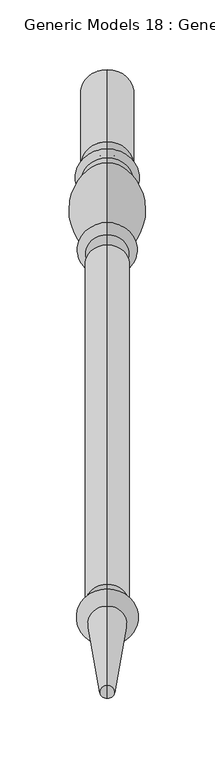
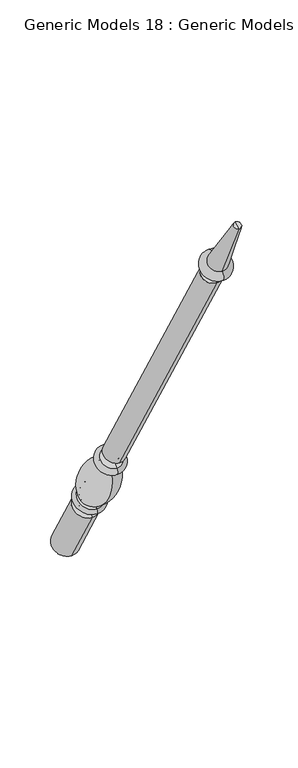
"""IFC4 building model written with IfcOpenShell, lengths in millimetres: proxy geometry, Generic Models 18 : Generic Models 2."""

from ifc_helpers import new_model, si_unit, point, frame, origin, place, context, project, spatial, polyline, circle_curve, ellipse_curve, trimmed, source, transform, mapped, element, save
from ifc_brep_helpers import plane_surface, cylinder_surface, revolved_surface, advanced_brep


def generic_models_18_generic_models_2_3f9f1b97(model_context):
    return source(origin(), model_context, "Body", "AdvancedBrep", [
        advanced_brep(
        [(-324.2684498, 1861.1601077, 610.5814746), (-324.2684498, 1828.1645398, 591.5314746), (-324.2684498, 1880.0576333, 501.65), (-324.2684498, 1913.0532012, 520.7), (-324.2684498, 1853.6896456, 623.5206944), (-324.2684498, 1820.6940777, 604.4706944), (-324.2684498, 1849.5864045, 630.6277165), (-324.2684498, 1816.5908366, 611.5777165), (-324.2684498, 1845.9182158, 636.9812058), (-324.2684498, 1812.9226479, 617.9312058), (-324.2684498, 1801.1569262, 703.055156), (-324.2684498, 1778.0815733, 689.7325947), (-324.2684498, 1799.8610191, 710.4046105), (-324.2684498, 1772.3647125, 694.5296105), (-324.2684498, 1794.1590629, 720.2806883), (-324.2684498, 1766.6627563, 704.4056883), (-324.2684498, 1786.7732215, 733.0733408), (-324.2684498, 1759.276915, 717.1983408), (-324.2684498, 1542.2982215, 1156.516462), (-324.2684498, 1514.801915, 1140.641462), (-324.2684498, 1537.2251467, 1153.5875209), (-324.2684498, 1519.8749898, 1143.5704031), (-324.2684498, 1531.1910418, 1164.0388972), (-324.2684498, 1513.8408848, 1154.0217794), (-324.2684498, 1534.7597609, 1166.0992981), (-324.2684498, 1510.2721658, 1151.9613785), (-324.2684498, 1526.5847892, 1180.2587644), (-324.2684498, 1502.0971941, 1166.1208448), (-324.2684498, 1469.4852742, 1261.8053229), (-324.2684498, 1460.0255603, 1256.3437545), (-324.2684498, 1464.7554173, 1259.0745387), (-324.2684498, 1896.5554173, 511.175)],
        [
            (0, 1, circle_curve(frame((-324.2684498, 1844.6623237, 601.0564746), z_axis=(0.0, 0.5000000000000062, -0.8660254037844352), x_axis=(0.0, -0.8660254037844352, -0.5000000000000062)), 19.05)),
            (1, 2),
            (2, 3, circle_curve(frame((-324.2684498, 1896.5554173, 511.175), z_axis=(0.0, -0.5000000000000062, 0.8660254037844352), x_axis=(0.0, -0.8660254037844352, -0.5000000000000062)), 19.05)),
            (3, 0),
            (1, 0, circle_curve(frame((-324.2684498, 1844.6623237, 601.0564746), z_axis=(0.0, 0.5000000000000062, -0.8660254037844352), x_axis=(0.0, -0.8660254037844352, -0.5000000000000062)), 19.05)),
            (3, 2, circle_curve(frame((-324.2684498, 1896.5554173, 511.175), z_axis=(0.0, -0.5000000000000062, 0.8660254037844352), x_axis=(0.0, -0.8660254037844352, -0.5000000000000062)), 19.05)),
            (4, 5, circle_curve(frame((-324.2684498, 1837.1918617, 613.9956944), z_axis=(0.0, 0.5000000000000062, -0.8660254037844352), x_axis=(0.0, -0.8660254037844352, -0.5000000000000062)), 19.05)),
            (5, 1, circle_curve(frame((-324.2684498, 1821.8102989, 596.4889985), z_axis=(-1.0, 0.0, 0.0), x_axis=(0.0, 0.8660254037844352, 0.5000000000000062)), 8.0593685)),
            (0, 4, circle_curve(frame((-324.2684498, 1860.0438865, 618.5631706), z_axis=(-1.0, 0.0, 0.0), x_axis=(0.0, -0.8660254037844352, -0.5000000000000062)), 8.0593685)),
            (5, 4, circle_curve(frame((-324.2684498, 1837.1918617, 613.9956944), z_axis=(0.0, 0.5000000000000062, -0.8660254037844352), x_axis=(0.0, -0.8660254037844352, -0.5000000000000062)), 19.05)),
            (6, 7, circle_curve(frame((-324.2684498, 1833.0886205, 621.1027165), z_axis=(0.0, 0.5000000000000062, -0.8660254037844352), x_axis=(0.0, -0.8660254037844352, -0.5000000000000062)), 19.05)),
            (7, 5, circle_curve(frame((-324.2684498, 1818.6424572, 608.0242055), z_axis=(1.0, 0.0, 0.0), x_axis=(0.0, 0.8660254037844352, 0.5000000000000062)), 4.1032411)),
            (4, 6, circle_curve(frame((-324.2684498, 1851.638025, 627.0742055), z_axis=(1.0, 0.0, 0.0), x_axis=(0.0, -0.8660254037844352, -0.5000000000000062)), 4.1032411)),
            (7, 6, circle_curve(frame((-324.2684498, 1833.0886205, 621.1027165), z_axis=(0.0, 0.5000000000000062, -0.8660254037844352), x_axis=(0.0, -0.8660254037844352, -0.5000000000000062)), 19.05)),
            (8, 9, circle_curve(frame((-324.2684498, 1829.4204318, 627.4562058), z_axis=(0.0, 0.5000000000000062, -0.8660254037844352), x_axis=(0.0, -0.8660254037844352, -0.5000000000000062)), 19.05)),
            (9, 7, circle_curve(frame((-324.2684498, 1813.3633086, 613.9499618), z_axis=(-1.0, 0.0, 0.0), x_axis=(0.0, 0.8660254037844352, 0.5000000000000062)), 4.0055568)),
            (6, 8, circle_curve(frame((-324.2684498, 1849.1457438, 634.6089605), z_axis=(-1.0, 0.0, 0.0), x_axis=(0.0, -0.8660254037844352, -0.5000000000000062)), 4.0055568)),
            (9, 8, circle_curve(frame((-324.2684498, 1829.4204318, 627.4562058), z_axis=(0.0, 0.5000000000000062, -0.8660254037844352), x_axis=(0.0, -0.8660254037844352, -0.5000000000000062)), 19.05)),
            (10, 11, circle_curve(frame((-324.2684498, 1789.6192497, 696.3938754), z_axis=(0.0, 0.5000000000000062, -0.8660254037844352), x_axis=(0.0, -0.8660254037844352, -0.5000000000000062)), 13.3225612)),
            (11, 9, circle_curve(frame((-324.2684498, 1854.1299968, 682.2806335), z_axis=(1.0, 0.0, 0.0), x_axis=(0.0, 0.8660254037844352, 0.5000000000000062)), 76.412659)),
            (8, 10, circle_curve(frame((-324.2684498, 1769.5863022, 633.4693086), z_axis=(1.0, 0.0, 0.0), x_axis=(0.0, -0.8660254037844352, -0.5000000000000062)), 76.412659)),
            (11, 10, circle_curve(frame((-324.2684498, 1789.6192497, 696.3938754), z_axis=(0.0, 0.5000000000000062, -0.8660254037844352), x_axis=(0.0, -0.8660254037844352, -0.5000000000000062)), 13.3225612)),
            (12, 13, circle_curve(frame((-324.2684498, 1786.1128658, 702.4671105), z_axis=(0.0, 0.5000000000000062, -0.8660254037844352), x_axis=(0.0, -0.8660254037844352, -0.5000000000000062)), 15.875)),
            (13, 11, circle_curve(frame((-324.2684498, 1773.4069828, 689.9666873), z_axis=(-1.0, 0.0, 0.0), x_axis=(0.0, 0.8660254037844352, 0.5000000000000062)), 4.6804482)),
            (10, 12, circle_curve(frame((-324.2684498, 1803.2914914, 707.2205164), z_axis=(-1.0, 0.0, 0.0), x_axis=(0.0, -0.8660254037844352, -0.5000000000000062)), 4.6804482)),
            (13, 12, circle_curve(frame((-324.2684498, 1786.1128658, 702.4671105), z_axis=(0.0, 0.5000000000000062, -0.8660254037844352), x_axis=(0.0, -0.8660254037844352, -0.5000000000000062)), 15.875)),
            (14, 15, circle_curve(frame((-324.2684498, 1780.4109096, 712.3431883), z_axis=(0.0, 0.5000000000000062, -0.8660254037844352), x_axis=(0.0, -0.8660254037844352, -0.5000000000000062)), 15.875)),
            (15, 13, circle_curve(frame((-324.2684498, 1769.5137344, 699.4676494), z_axis=(1.0, 0.0, 0.0), x_axis=(0.0, 0.8660254037844352, 0.5000000000000062)), 5.7019562)),
            (12, 14, circle_curve(frame((-324.2684498, 1797.010041, 715.3426494), z_axis=(1.0, 0.0, 0.0), x_axis=(0.0, -0.8660254037844352, -0.5000000000000062)), 5.7019562)),
            (15, 14, circle_curve(frame((-324.2684498, 1780.4109096, 712.3431883), z_axis=(0.0, 0.5000000000000062, -0.8660254037844352), x_axis=(0.0, -0.8660254037844352, -0.5000000000000062)), 15.875)),
            (16, 17, circle_curve(frame((-324.2684498, 1773.0250683, 725.1358408), z_axis=(0.0, 0.5000000000000062, -0.8660254037844352), x_axis=(0.0, -0.8660254037844352, -0.5000000000000062)), 15.875)),
            (17, 15, circle_curve(frame((-324.2684498, 1762.9698356, 710.8020145), z_axis=(-1.0, 0.0, 0.0), x_axis=(0.0, 0.8660254037844352, 0.5000000000000062)), 7.3858413)),
            (14, 16, circle_curve(frame((-324.2684498, 1790.4661422, 726.6770145), z_axis=(-1.0, 0.0, 0.0), x_axis=(0.0, -0.8660254037844352, -0.5000000000000062)), 7.3858413)),
            (17, 16, circle_curve(frame((-324.2684498, 1773.0250683, 725.1358408), z_axis=(0.0, 0.5000000000000062, -0.8660254037844352), x_axis=(0.0, -0.8660254037844352, -0.5000000000000062)), 15.875)),
            (18, 19, circle_curve(frame((-324.2684498, 1528.5500683, 1148.578962), z_axis=(0.0, 0.5000000000000062, -0.8660254037844352), x_axis=(0.0, -0.8660254037844352, -0.5000000000000062)), 15.875)),
            (19, 17),
            (16, 18),
            (19, 18, circle_curve(frame((-324.2684498, 1528.5500683, 1148.578962), z_axis=(0.0, 0.5000000000000062, -0.8660254037844352), x_axis=(0.0, -0.8660254037844352, -0.5000000000000062)), 15.875)),
            (20, 21, circle_curve(frame((-324.2684498, 1528.5500683, 1148.578962), z_axis=(0.0, 0.5000000000000062, -0.8660254037844352), x_axis=(0.0, -0.8660254037844352, -0.5000000000000062)), 10.0171178)),
            (21, 19),
            (18, 20),
            (21, 20, circle_curve(frame((-324.2684498, 1528.5500683, 1148.578962), z_axis=(0.0, 0.5000000000000062, -0.8660254037844352), x_axis=(0.0, -0.8660254037844352, -0.5000000000000062)), 10.0171178)),
            (22, 23, circle_curve(frame((-324.2684498, 1522.5159633, 1159.0303383), z_axis=(0.0, 0.5000000000000062, -0.8660254037844352), x_axis=(0.0, -0.8660254037844352, -0.5000000000000062)), 10.0171178)),
            (23, 21, circle_curve(frame((-324.2684498, 1515.3020818, 1147.8978177), z_axis=(-1.0, 0.0, 0.0), x_axis=(0.0, 0.8660254037844352, 0.5000000000000062)), 6.295872)),
            (20, 22, circle_curve(frame((-324.2684498, 1535.7639497, 1159.7114826), z_axis=(-1.0, 0.0, 0.0), x_axis=(0.0, -0.8660254037844352, -0.5000000000000062)), 6.295872)),
            (23, 22, circle_curve(frame((-324.2684498, 1522.5159633, 1159.0303383), z_axis=(0.0, 0.5000000000000062, -0.8660254037844352), x_axis=(0.0, -0.8660254037844352, -0.5000000000000062)), 10.0171178)),
            (24, 25, circle_curve(frame((-324.2684498, 1522.5159633, 1159.0303383), z_axis=(0.0, 0.5000000000000062, -0.8660254037844352), x_axis=(0.0, -0.8660254037844352, -0.5000000000000062)), 14.1379196)),
            (25, 23),
            (22, 24),
            (25, 24, circle_curve(frame((-324.2684498, 1522.5159633, 1159.0303383), z_axis=(0.0, 0.5000000000000062, -0.8660254037844352), x_axis=(0.0, -0.8660254037844352, -0.5000000000000062)), 14.1379196)),
            (26, 27, circle_curve(frame((-324.2684498, 1514.3409916, 1173.1898046), z_axis=(0.0, 0.5000000000000062, -0.8660254037844352), x_axis=(0.0, -0.8660254037844352, -0.5000000000000062)), 14.1379196)),
            (27, 25, circle_curve(frame((-324.2684498, 1506.1846799, 1159.0411116), z_axis=(1.0, 0.0, 0.0), x_axis=(0.0, 0.8660254037844352, 0.5000000000000062)), 8.1749717)),
            (24, 26, circle_curve(frame((-324.2684498, 1530.672275, 1173.1790313), z_axis=(1.0, 0.0, 0.0), x_axis=(0.0, -0.8660254037844352, -0.5000000000000062)), 8.1749717)),
            (27, 26, circle_curve(frame((-324.2684498, 1514.3409916, 1173.1898046), z_axis=(0.0, 0.5000000000000062, -0.8660254037844352), x_axis=(0.0, -0.8660254037844352, -0.5000000000000062)), 14.1379196)),
            (28, 29, circle_curve(frame((-324.2684498, 1464.7554173, 1259.0745387), z_axis=(0.0, 0.5000000000000062, -0.8660254037844352), x_axis=(0.0, -0.8660254037844352, -0.5000000000000062)), 5.4615684)),
            (29, 27),
            (26, 28),
            (29, 28, circle_curve(frame((-324.2684498, 1464.7554173, 1259.0745387), z_axis=(0.0, 0.5000000000000062, -0.8660254037844352), x_axis=(0.0, -0.8660254037844352, -0.5000000000000062)), 5.4615684)),
            (30, 29),
            (28, 30),
            (2, 31),
            (31, 3),
        ],
        [
            cylinder_surface(frame((-324.2684498, 1464.7554173, 1259.0745387), z_axis=(0.0, -0.5000000000000062, 0.8660254037844352), x_axis=(0.0, -0.8660254037844352, -0.5000000000000062)), 19.05),
            revolved_surface(trimmed(ellipse_curve(frame((-324.2684498, 1821.8102989, 596.4889985), z_axis=(1.0, 0.0, 0.0), x_axis=(0.0, 0.8660254037844352, 0.5000000000000062)), 8.0593685, 8.0593685), [point((-324.2684498, 1828.1645398, 591.5314746))], [point((-324.2684498, 1820.6940777, 604.4706944))], True, "CARTESIAN"), (-324.2684498, 1464.7554173, 1259.0745387), (0.0, -0.5000000000000062, 0.8660254037844352)),
            revolved_surface(trimmed(ellipse_curve(frame((-324.2684498, 1818.6424572, 608.0242055), z_axis=(-1.0, 0.0, 0.0), x_axis=(0.0, 0.8660254037844352, 0.5000000000000062)), 4.1032411, 4.1032411), [point((-324.2684498, 1820.6940777, 604.4706944))], [point((-324.2684498, 1816.5908366, 611.5777165))], True, "CARTESIAN"), (-324.2684498, 1464.7554173, 1259.0745387), (0.0, -0.5000000000000062, 0.8660254037844352)),
            revolved_surface(trimmed(ellipse_curve(frame((-324.2684498, 1813.3633086, 613.9499618), z_axis=(1.0, 0.0, 0.0), x_axis=(0.0, 0.8660254037844352, 0.5000000000000062)), 4.0055568, 4.0055568), [point((-324.2684498, 1816.5908366, 611.5777165))], [point((-324.2684498, 1812.9226479, 617.9312058))], True, "CARTESIAN"), (-324.2684498, 1464.7554173, 1259.0745387), (0.0, -0.5000000000000062, 0.8660254037844352)),
            revolved_surface(trimmed(ellipse_curve(frame((-324.2684498, 1854.1299968, 682.2806335), z_axis=(-1.0, 0.0, 0.0), x_axis=(0.0, 0.8660254037844352, 0.5000000000000062)), 76.412659, 76.412659), [point((-324.2684498, 1812.9226479, 617.9312058))], [point((-324.2684498, 1778.0815733, 689.7325947))], True, "CARTESIAN"), (-324.2684498, 1464.7554173, 1259.0745387), (0.0, -0.5000000000000062, 0.8660254037844352)),
            revolved_surface(trimmed(ellipse_curve(frame((-324.2684498, 1773.4069828, 689.9666873), z_axis=(1.0, 0.0, 0.0), x_axis=(0.0, 0.8660254037844352, 0.5000000000000062)), 4.6804482, 4.6804482), [point((-324.2684498, 1778.0815733, 689.7325947))], [point((-324.2684498, 1772.3647125, 694.5296105))], True, "CARTESIAN"), (-324.2684498, 1464.7554173, 1259.0745387), (0.0, -0.5000000000000062, 0.8660254037844352)),
            revolved_surface(trimmed(ellipse_curve(frame((-324.2684498, 1769.5137344, 699.4676494), z_axis=(-1.0, 0.0, 0.0), x_axis=(0.0, 0.8660254037844352, 0.5000000000000062)), 5.7019562, 5.7019562), [point((-324.2684498, 1772.3647125, 694.5296105))], [point((-324.2684498, 1766.6627563, 704.4056883))], True, "CARTESIAN"), (-324.2684498, 1464.7554173, 1259.0745387), (0.0, -0.5000000000000062, 0.8660254037844352)),
            revolved_surface(trimmed(ellipse_curve(frame((-324.2684498, 1762.9698356, 710.8020145), z_axis=(1.0, 0.0, 0.0), x_axis=(0.0, 0.8660254037844352, 0.5000000000000062)), 7.3858413, 7.3858413), [point((-324.2684498, 1766.6627563, 704.4056883))], [point((-324.2684498, 1759.276915, 717.1983408))], True, "CARTESIAN"), (-324.2684498, 1464.7554173, 1259.0745387), (0.0, -0.5000000000000062, 0.8660254037844352)),
            cylinder_surface(frame((-324.2684498, 1464.7554173, 1259.0745387), z_axis=(0.0, -0.5000000000000062, 0.8660254037844352), x_axis=(0.0, -0.8660254037844352, -0.5000000000000062)), 15.875),
            plane_surface(frame((-324.2684498, 1528.5500683, 1148.578962), z_axis=(0.0, -0.5000000000000062, 0.8660254037844352), x_axis=(0.0, -0.8660254037844352, -0.5000000000000062))),
            revolved_surface(trimmed(ellipse_curve(frame((-324.2684498, 1515.3020818, 1147.8978177), z_axis=(1.0, 0.0, 0.0), x_axis=(0.0, 0.8660254037844352, 0.5000000000000062)), 6.295872, 6.295872), [point((-324.2684498, 1519.8749898, 1143.5704031))], [point((-324.2684498, 1513.8408848, 1154.0217794))], True, "CARTESIAN"), (-324.2684498, 1464.7554173, 1259.0745387), (0.0, -0.5000000000000062, 0.8660254037844352)),
            plane_surface(frame((-324.2684498, 1522.5159633, 1159.0303383), z_axis=(0.0, 0.5000000000000062, -0.8660254037844352), x_axis=(0.0, -0.8660254037844352, -0.5000000000000062))),
            revolved_surface(trimmed(ellipse_curve(frame((-324.2684498, 1506.1846799, 1159.0411116), z_axis=(-1.0, 0.0, 0.0), x_axis=(0.0, 0.8660254037844352, 0.5000000000000062)), 8.1749717, 8.1749717), [point((-324.2684498, 1510.2721658, 1151.9613785))], [point((-324.2684498, 1502.0971941, 1166.1208448))], True, "CARTESIAN"), (-324.2684498, 1464.7554173, 1259.0745387), (0.0, -0.5000000000000062, 0.8660254037844352)),
            revolved_surface(polyline([(-324.2684498, 1502.0971941, 1166.1208448), (-324.2684498, 1460.0255603, 1256.3437545)]), (-324.2684498, 1464.7554173, 1259.0745387), (0.0, -0.5000000000000062, 0.8660254037844352)),
            plane_surface(frame((-324.2684498, 1464.7554173, 1259.0745387), z_axis=(0.0, -0.5000000000000062, 0.8660254037844352), x_axis=(0.0, -0.8660254037844352, -0.5000000000000062))),
            plane_surface(frame((-324.2684498, 1896.5554173, 511.175), z_axis=(0.0, 0.5000000000000062, -0.8660254037844352), x_axis=(0.0, -0.8660254037844352, -0.5000000000000062))),
        ],
        [
            (0, [[1, 2, 3, 4]]),
            (0, [[5, -4, 6, -2]]),
            (1, [[7, 8, -1, 9]]),
            (1, [[10, -9, -5, -8]]),
            (2, [[11, 12, -7, 13]]),
            (2, [[14, -13, -10, -12]]),
            (3, [[15, 16, -11, 17]]),
            (3, [[18, -17, -14, -16]]),
            (4, [[19, 20, -15, 21]]),
            (4, [[22, -21, -18, -20]]),
            (5, [[23, 24, -19, 25]]),
            (5, [[26, -25, -22, -24]]),
            (6, [[27, 28, -23, 29]]),
            (6, [[30, -29, -26, -28]]),
            (7, [[31, 32, -27, 33]]),
            (7, [[34, -33, -30, -32]]),
            (8, [[35, 36, -31, 37]]),
            (8, [[38, -37, -34, -36]]),
            (9, [[39, 40, -35, 41]]),
            (9, [[42, -41, -38, -40]]),
            (10, [[43, 44, -39, 45]]),
            (10, [[46, -45, -42, -44]]),
            (11, [[47, 48, -43, 49]]),
            (11, [[50, -49, -46, -48]]),
            (12, [[51, 52, -47, 53]]),
            (12, [[54, -53, -50, -52]]),
            (13, [[55, 56, -51, 57]]),
            (13, [[58, -57, -54, -56]]),
            (14, [[59, -55, 60]]),
            (14, [[-60, -58, -59]]),
            (15, [[-3, 61, 62]]),
            (15, [[-6, -62, -61]]),
        ],
    ),
    ])


if __name__ == "__main__":
    model = new_model("IFC4")
    model_context = context("Model", 3, world=origin())
    ifc_project = project(units=[si_unit("LENGTHUNIT", "METRE", prefix="MILLI")], contexts=[model_context])
    site = spatial("IfcSite", under=ifc_project)
    building = spatial("IfcBuilding", under=site)
    placement = place(None, origin())
    generic_models_18_generic_models_2_shape = generic_models_18_generic_models_2_3f9f1b97(model_context)
    element("IfcBuildingElementProxy", 1, Name="Generic Models 18 : Generic Models 2", ObjectType="Generic Models 18 : Generic Models 2", at=placement, inside=building, context=model_context, shape_type="MappedRepresentation", body=[
        mapped(generic_models_18_generic_models_2_shape, transform((0.0, 0.0, 0.0), x_axis=(1.0, 0.0, 0.0), y_axis=(0.0, 1.0, 0.0), z_axis=(0.0, 0.0, 1.0))),
    ])
    save(model, "model.ifc")
